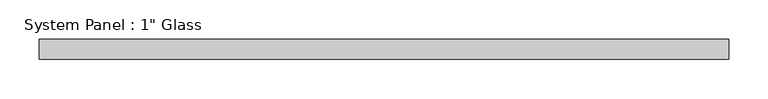
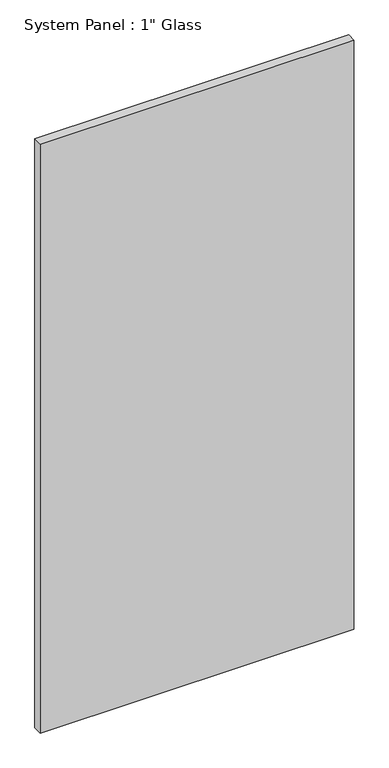
"""IFC4 building model written with IfcOpenShell, lengths in millimetres: plate geometry."""

from ifc_helpers import new_model, si_unit, origin, origin_with_axes, place, context, project, spatial, polyline, outline, extrude, source, transform, mapped, element, save


def plate_49b398c9(model_context):
    return source(origin(), model_context, "Body", "SweptSolid", [
        extrude(outline(polyline([(438.1967316, -12.7), (-438.1967316, -12.7), (-438.1967316, 12.7), (438.1967316, 12.7), (438.1967316, -12.7)])), origin_with_axes(), (0.0, 0.0, 1.0), 1739.9),
    ])


if __name__ == "__main__":
    model = new_model("IFC4")
    model_context = context("Model", 3, world=origin())
    ifc_project = project(units=[si_unit("LENGTHUNIT", "METRE", prefix="MILLI")], contexts=[model_context])
    site = spatial("IfcSite", under=ifc_project)
    building = spatial("IfcBuilding", under=site)
    placement = place(None, origin())
    plate_shape = plate_49b398c9(model_context)
    element("IfcPlate", 1, ObjectType="System Panel : 1\" Glass", at=placement, inside=building, context=model_context, shape_type="MappedRepresentation", body=[
        mapped(plate_shape, transform((0.0, 0.0, 0.0), x_axis=(1.0, 0.0, 0.0), y_axis=(0.0, 1.0, 0.0), z_axis=(0.0, 0.0, 1.0))),
    ])
    save(model, "model.ifc")
